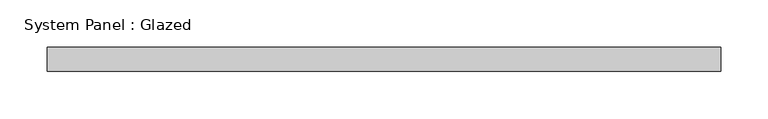
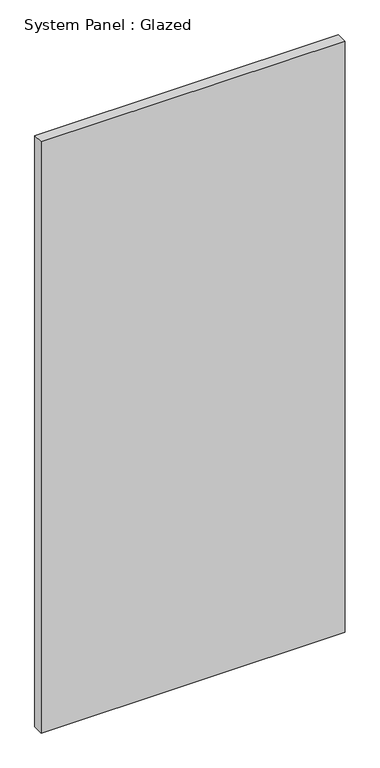
"""IFC4 building model written with IfcOpenShell, lengths in millimetres: plate geometry, System Panel : Glazed."""

from ifc_helpers import new_model, si_unit, origin, origin_with_axes, place, context, project, spatial, polyline, outline, extrude, source, transform, mapped, element, save


def system_panel_glazed_fb251bbd(model_context):
    return source(origin(), model_context, "Body", "SweptSolid", [
        extrude(outline(polyline([(356.6583333, -44.45), (-356.6583333, -44.45), (-356.6583333, -19.05), (356.6583333, -19.05), (356.6583333, -44.45)])), origin_with_axes(), (0.0, 0.0, 1.0), 1466.85),
    ])


if __name__ == "__main__":
    model = new_model("IFC4")
    model_context = context("Model", 3, world=origin())
    ifc_project = project(units=[si_unit("LENGTHUNIT", "METRE", prefix="MILLI")], contexts=[model_context])
    site = spatial("IfcSite", under=ifc_project)
    building = spatial("IfcBuilding", under=site)
    placement = place(None, origin())
    system_panel_glazed_shape = system_panel_glazed_fb251bbd(model_context)
    element("IfcPlate", 1, ObjectType="System Panel : Glazed", at=placement, inside=building, context=model_context, shape_type="MappedRepresentation", body=[
        mapped(system_panel_glazed_shape, transform((0.0, 0.0, 0.0), x_axis=(1.0, 0.0, 0.0), y_axis=(0.0, 1.0, 0.0), z_axis=(0.0, 0.0, 1.0))),
    ])
    save(model, "model.ifc")
